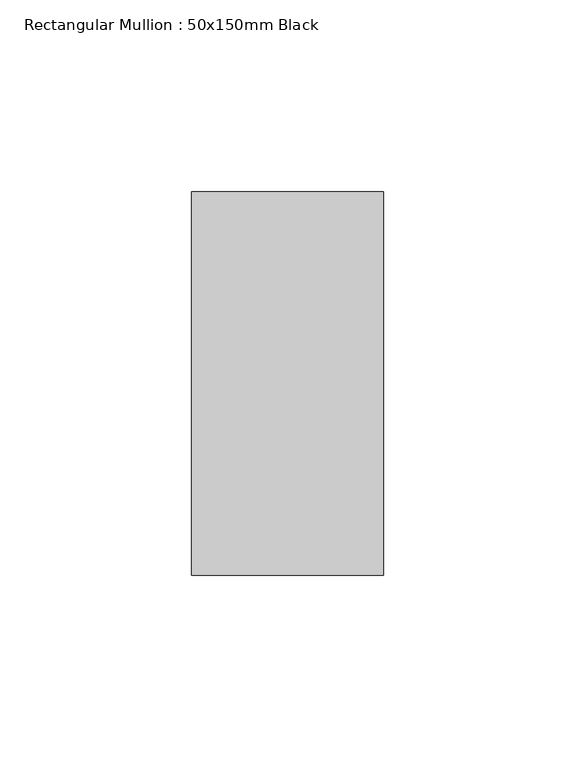
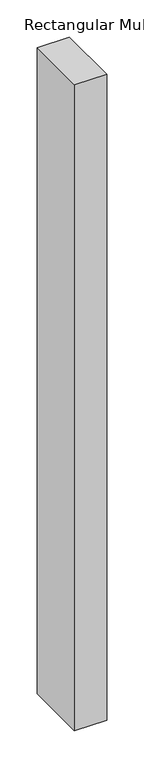
"""IFC4 building model written with IfcOpenShell, lengths in millimetres: member geometry, Rectangular Mullion : 50x150mm Black."""

from ifc_helpers import new_model, si_unit, frame, origin, place, context, project, spatial, polyline, outline, extrude, source, transform, mapped, element, save


def rectangular_mullion_50x150mm_black_fc3eb10a(model_context):
    return source(origin(), model_context, "Body", "SweptSolid", [
        extrude(outline(polyline([(0.0, 50.0), (0.0, -50.0), (-50.0, -50.0), (-50.0, 50.0), (0.0, 50.0)])), frame((0.0, 0.0, -1060.7), z_axis=(0.0, 0.0, 1.0), x_axis=(1.0, 0.0, 0.0)), (0.0, 0.0, 1.0), 1060.7),
    ])


if __name__ == "__main__":
    model = new_model("IFC4")
    model_context = context("Model", 3, world=origin())
    ifc_project = project(units=[si_unit("LENGTHUNIT", "METRE", prefix="MILLI")], contexts=[model_context])
    site = spatial("IfcSite", under=ifc_project)
    building = spatial("IfcBuilding", under=site)
    placement = place(None, origin())
    rectangular_mullion_50x150mm_black_shape = rectangular_mullion_50x150mm_black_fc3eb10a(model_context)
    element("IfcMember", 1, ObjectType="Rectangular Mullion : 50x150mm Black", at=placement, inside=building, context=model_context, shape_type="MappedRepresentation", body=[
        mapped(rectangular_mullion_50x150mm_black_shape, transform((0.0, 0.0, 0.0), x_axis=(1.0, 0.0, 0.0), y_axis=(0.0, 1.0, 0.0), z_axis=(0.0, 0.0, 1.0))),
    ])
    save(model, "model.ifc")
